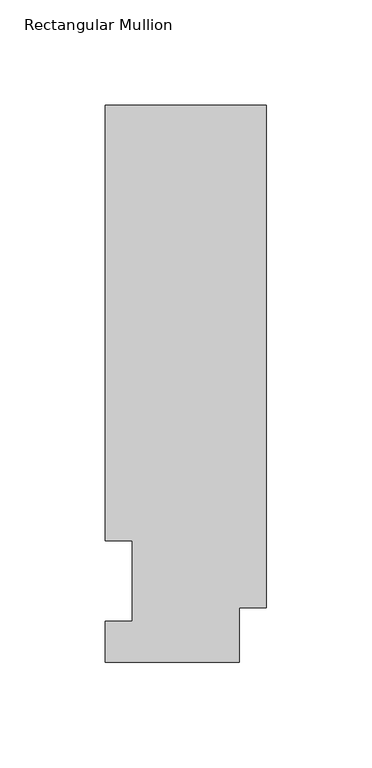
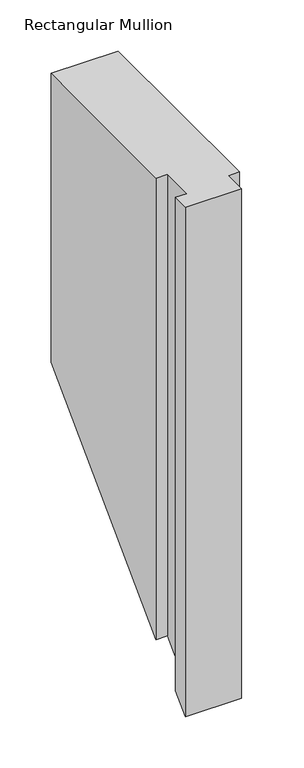
"""IFC4 building model written with IfcOpenShell, lengths in millimetres: member geometry, Rectangular Mullion."""

from ifc_helpers import new_model, si_unit, origin, place, context, project, spatial, faceted_brep, source, transform, mapped, element, save


def rectangular_mullion_26681b00(model_context):
    return source(origin(), model_context, "Body", "Brep", [
        faceted_brep([(0.0, 25.8960937, 0.0), (0.0, 264.0210938, 0.0), (-76.2, 264.0210938, 0.0), (-76.2, 57.6460938, 0.0), (-63.5127, 57.6460938, 0.0), (-63.5127, 19.5460938, 0.0), (-76.2, 19.5460938, 0.0), (-76.2, 0.0134938, 0.0), (-12.7, 0.0134938, 0.0), (-12.7, 25.8960937, 0.0), (0.0, 25.8960937, -583.6721563), (0.0, 264.0210938, -345.5471563), (-76.2, 264.0210938, -345.5471563), (-76.2, 57.6460938, -551.9221563), (-63.5127, 57.6460938, -551.9221563), (-63.5127, 19.5460938, -590.0221562), (-76.2, 19.5460938, -590.0221562), (-76.2, 0.0134938, -609.5547562), (-12.7, 0.0134938, -609.5547562), (-12.7, 25.8960937, -583.6721563)], [[[0, 1, 2, 3, 4, 5, 6, 7, 8, 9]], [[1, 0, 10, 11]], [[2, 1, 11, 12]], [[3, 2, 12, 13]], [[4, 3, 13, 14]], [[5, 4, 14, 15]], [[6, 5, 15, 16]], [[7, 6, 16, 17]], [[8, 7, 17, 18]], [[9, 8, 18, 19]], [[0, 9, 19, 10]], [[10, 19, 18, 17, 16, 15, 14, 13, 12, 11]]]),
    ])


if __name__ == "__main__":
    model = new_model("IFC4")
    model_context = context("Model", 3, world=origin())
    ifc_project = project(units=[si_unit("LENGTHUNIT", "METRE", prefix="MILLI")], contexts=[model_context])
    site = spatial("IfcSite", under=ifc_project)
    building = spatial("IfcBuilding", under=site)
    placement = place(None, origin())
    rectangular_mullion_shape = rectangular_mullion_26681b00(model_context)
    element("IfcMember", 1, ObjectType="Rectangular Mullion", at=placement, inside=building, context=model_context, shape_type="MappedRepresentation", body=[
        mapped(rectangular_mullion_shape, transform((0.0, 0.0, 0.0), x_axis=(1.0, 0.0, 0.0), y_axis=(0.0, 1.0, 0.0), z_axis=(0.0, 0.0, 1.0))),
    ])
    save(model, "model.ifc")
